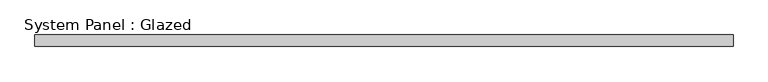
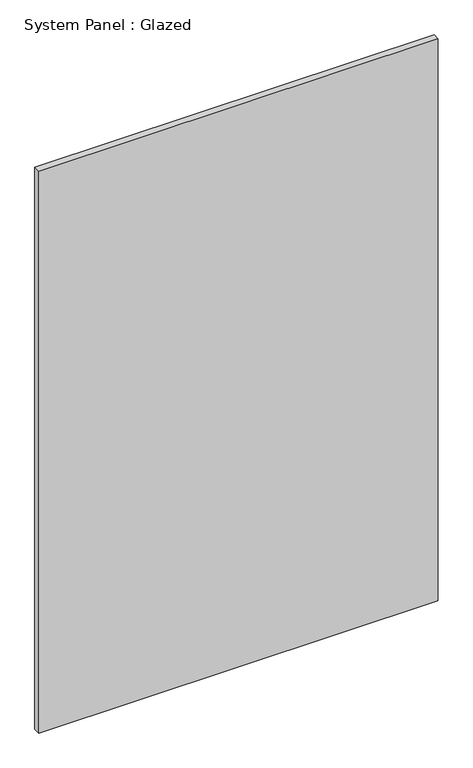
"""IFC4 building model written with IfcOpenShell, lengths in millimetres: plate geometry, System Panel : Glazed."""

from ifc_helpers import new_model, si_unit, origin, origin_with_axes, place, context, project, spatial, polyline, outline, extrude, source, transform, mapped, element, save


def system_panel_glazed_70badacd(model_context):
    return source(origin(), model_context, "Body", "SweptSolid", [
        extrude(outline(polyline([(756.7501169, 24.5), (-756.7501169, 24.5), (-756.7501169, 49.5), (756.7501169, 49.5), (756.7501169, 24.5)])), origin_with_axes(), (0.0, 0.0, 1.0), 2250.0),
    ])


if __name__ == "__main__":
    model = new_model("IFC4")
    model_context = context("Model", 3, world=origin())
    ifc_project = project(units=[si_unit("LENGTHUNIT", "METRE", prefix="MILLI")], contexts=[model_context])
    site = spatial("IfcSite", under=ifc_project)
    building = spatial("IfcBuilding", under=site)
    placement = place(None, origin())
    system_panel_glazed_shape = system_panel_glazed_70badacd(model_context)
    element("IfcPlate", 1, ObjectType="System Panel : Glazed", at=placement, inside=building, context=model_context, shape_type="MappedRepresentation", body=[
        mapped(system_panel_glazed_shape, transform((0.0, 0.0, 0.0), x_axis=(1.0, 0.0, 0.0), y_axis=(0.0, 1.0, 0.0), z_axis=(0.0, 0.0, 1.0))),
    ])
    save(model, "model.ifc")
